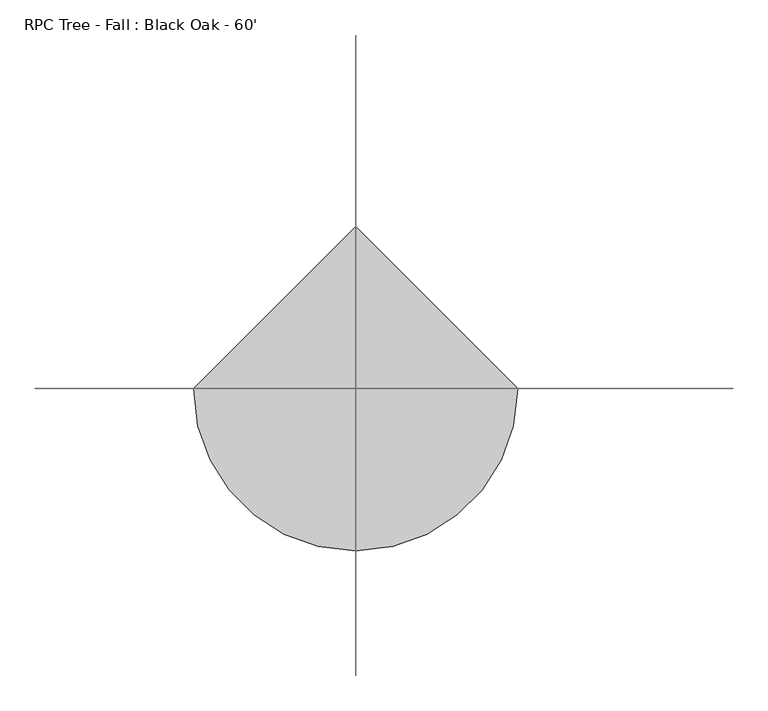
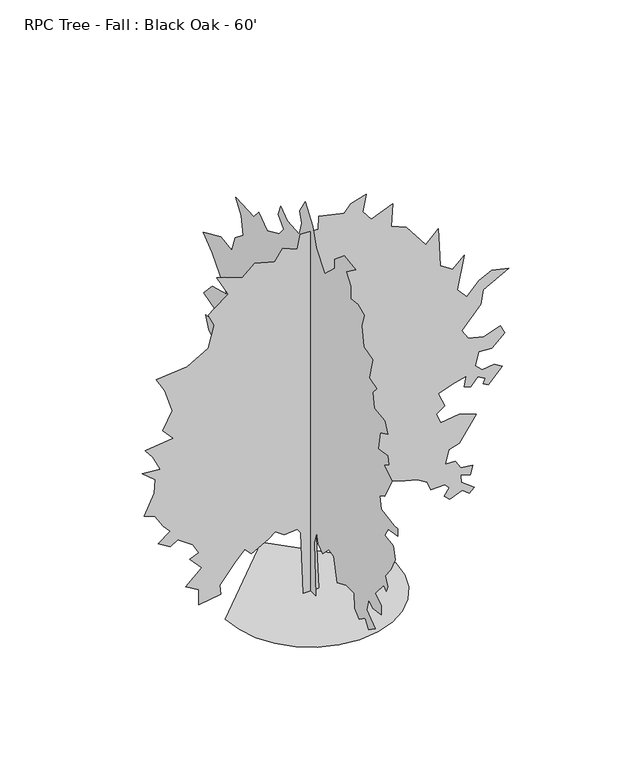
"""IFC4 building model written with IfcOpenShell, lengths in millimetres: geographic element geometry, RPC Tree - Fall : Black Oak - 60'."""

from ifc_helpers import new_model, si_unit, origin, place, context, project, spatial, triangles, source, transform, mapped, element, save


def rpc_tree_fall_black_oak_60_83d15e47(model_context):
    return source(origin(), model_context, "Body", "Tessellation", [
        triangles([(-3837.6128494, 0.0, 0.0005382), (-3736.1652626, -879.3283762, 0.0005382), (-3447.2145859, -1686.8483448, 0.0005382), (-2993.9256844, -2399.4281055, 0.0005382), (-2399.4281055, -2993.9256844, 0.0005382), (-1686.8483448, -3447.2145859, 0.0005382), (-879.3258327, -3736.1652626, 0.0005382), (0.0001677, -3837.6128494, 0.0005382), (879.3283762, -3736.1652626, 0.0005382), (1686.8483448, -3447.2145859, 0.0005382), (2399.4281055, -2993.9256844, 0.0005382), (2993.9256844, -2399.4281055, 0.0005382), (3447.2145859, -1686.8483448, 0.0005382), (3736.1652626, -879.3258327, 0.0005382), (3837.6128494, 0.0003355, 0.0005382), (-0.0005032, 3837.6128494, 0.0005382), (-323.0907804, 0.0, 0.0080165), (-450.6217678, -0.0001748, 2933.2197968), (-603.6594106, -0.000187, 3137.2835037), (-1190.3059061, -0.000184, 3086.2549324), (-1598.4054874, -0.0002007, 3366.8488518), (-1904.4808456, -0.000187, 3137.2835037), (-2669.6690231, -0.0001612, 2703.6797379), (-2975.7392944, -0.0001809, 3035.2516502), (-3409.3430603, -0.0001505, 2525.1278458), (-4098.0138153, -0.0001019, 1708.926067), (-4047.0105331, -7.45e-05, 1249.8131023), (-5041.7515594, -6.54e-05, 1096.7754232), (-5041.7515594, -0.0001079, 1810.9528336), (-5628.3907516, -0.0001292, 2168.0416477), (-4914.2180649, -0.0001688, 2831.2132324), (-5449.8539749, -0.0002037, 3417.8521339), (-5041.7515594, -0.0002128, 3570.8872696), (-5322.3204803, -0.0002417, 4055.4943176), (-5985.4893036, -0.0002706, 4540.1266548), (-6317.0615067, -0.0002569, 4310.5613068), (-6878.1987671, -0.0002767, 4642.1585083), (-6317.0615067, -0.000301, 5050.2609238), (-6648.6587082, -0.0003223, 5407.3338959), (-7031.2591919, -0.0003588, 6019.5000183), (-7490.3643082, -0.0003679, 6172.5348633), (-7056.7605423, -0.0004242, 7116.2726074), (-7005.7322617, -0.0004622, 7753.9150818), (-7592.3964523, -0.0004911, 8238.5471283), (-6776.1922028, -0.0004865, 8162.0169159), (-7107.7638245, -0.0005275, 8850.6876709), (-7464.8629578, -0.0005534, 9284.2914368), (-6189.5280121, -0.0005625, 9437.3268631), (-6674.1600586, -0.0005944, 9972.9621918), (-6240.5562927, -0.0006416, 10763.6650909), (-6572.1284958, -0.0007054, 11834.9357483), (-6954.7289795, -0.0007449, 12498.0801544), (-5551.8855377, -0.0007525, 12625.6130676), (-4608.1477936, -0.000786, 13186.7509094), (-4353.0808044, -0.0008453, 14181.5169342), (-4608.1477936, -0.0008787, 14742.654776), (-4353.0808044, -0.0008924, 14972.1942535), (-3715.4389114, -0.0009198, 15431.325531), (-4225.5473099, -0.0009776, 16400.5640442), (-3893.9753975, -0.0009715, 16298.5330627), (-3077.7711479, -0.0009532, 15992.4622101), (-2516.631562, -0.0009836, 16502.5706085), (-1623.9122154, -0.0009684, 16247.5036194), (-1266.8234013, -0.0010004, 16783.1395294), (-603.6594106, -0.0009836, 16502.5706085), (-476.1284595, -0.0010232, 17165.7405945), (340.0732467, -0.0010201, 17114.736731), (365.5799383, -0.0010566, 17726.8772736), (1513.3637306, -0.0010414, 17471.8102844), (1819.4364727, -0.0010612, 17803.407486), (2508.1096985, -0.0010748, 18032.9481262), (2355.0696213, -0.0010277, 17242.2708069), (2737.6648727, -0.0009988, 16757.6375977), (3706.904258, -0.0010216, 17140.2386627), (3630.3740456, -0.0009593, 16094.4687744), (4319.0448006, -0.0009426, 15813.8998535), (5186.2776215, -0.0008757, 14691.6253326), (5747.4148819, -0.0009091, 15252.7631744), (5798.4181641, -0.000859, 14411.0575745), (5849.4214462, -0.0008012, 13441.8178986), (6410.5842865, -0.0007799, 13084.7443451), (6920.6926849, -0.0008088, 13569.3508118), (6614.6224136, -0.0007176, 12038.9744568), (7048.2261795, -0.0006887, 11554.3679901), (7609.3634399, -0.0007237, 12141.006601), (8170.5007004, -0.0007404, 12421.5755219), (8935.7016678, -0.0007297, 12243.0387451), (7787.9002167, -0.0006933, 11630.8726227), (7660.3923019, -0.0006537, 10967.7037994), (6818.6611221, -0.000596, 9998.4641235), (7099.2550415, -0.0005701, 9564.8603577), (7813.4271469, -0.0005595, 9386.3235809), (8553.1011841, -0.0005747, 9641.3905701), (8757.1398926, -0.0005503, 9233.2881546), (8170.5007004, -0.0005184, 8697.6528259), (7583.8620895, -0.0005215, 8748.6561081), (7430.8266632, -0.000485, 8136.5155655), (7736.8969345, -0.0004667, 7830.4452942), (8272.5328445, -0.0004713, 7906.9499268), (8629.6313965, -0.0004576, 7677.4098679), (8017.4658554, -0.0004181, 7014.2410446), (7787.9002167, -0.0004257, 7141.7745392), (7864.4304291, -0.0004394, 7371.3145981), (7532.8588074, -0.0004515, 7575.3783051), (7226.7629562, -0.0004287, 7192.7778214), (6920.6926849, -0.0004348, 7294.8093842), (7022.7248291, -0.0004637, 7779.4164322), (6487.0889191, -0.0004561, 7651.8829376), (5747.4148819, -0.0004394, 7371.3145981), (6053.4851532, -0.0003998, 6708.1707733), (5670.8846695, -0.0003831, 6427.6018524), (5874.9483765, -0.0003542, 5942.9698059), (6691.152626, -0.0003618, 6070.5033005), (7456.328595, -0.0003466, 5815.4363113), (6691.152626, -0.0002797, 4693.1617905), (6232.0219299, -0.0002706, 4540.1266548), (6078.987085, -0.0002326, 3902.459182), (6512.5908508, -0.0002326, 3902.459182), (6767.65784, -0.0002083, 3494.3570572), (7303.2931686, -0.0002037, 3417.8521339), (7201.2616058, -0.0001794, 3009.7500092), (6767.65784, -0.000187, 3137.2835037), (6793.1591904, -0.0001672, 2805.6863022), (7379.823381, -0.0001399, 2346.583366), (7150.2583237, -0.0001277, 2142.5349197), (6844.1880524, -0.0001429, 2397.596822), (6283.0507919, -0.0001292, 2168.0416477), (6027.9838028, -0.0001429, 2397.596822), (6257.5238617, -0.0001627, 2729.1813789), (6053.4851532, -0.0001748, 2933.2197968), (5415.8176804, -0.0001748, 2933.2197968), (5262.7828354, -0.0001992, 3341.3219215), (4803.6771378, -0.0002159, 3621.8905518), (4268.0415184, -0.0002235, 3749.4240463), (3375.3326363, -0.0002402, 4029.9926765), (3120.2653564, -0.0002159, 3621.8905518), (2839.6970169, -0.0002311, 3876.9575409), (2712.1632317, -0.0002463, 4132.02453), (2202.0318695, -0.0002463, 4132.02453), (1946.9699673, -0.0002554, 4285.0596657), (1054.2481499, -0.0002417, 4055.4943176), (365.5799383, -0.0002159, 3621.8905518), (238.0474611, -0.0001764, 2958.746727), (365.5799383, 0.0, 0.0004815), (0.0, 369.5499722, 0.0), (0.0, 318.5391323, 2678.1528076), (0.0, 573.6010345, 3749.4240463), (0.0, 1032.7139992, 4336.0629478), (0.0, 1976.4466564, 4667.6601494), (0.0, 2563.0906448, 3902.459182), (0.0, 2767.1543518, 4336.0629478), (0.0, 3557.8316711, 4080.9959587), (0.0, 4118.9689316, 4157.5261711), (0.0, 4858.6682579, 3392.3252037), (0.0, 5496.3104416, 2601.6478844), (0.0, 6159.4792648, 2550.619313), (0.0, 5776.8787811, 3239.2900681), (0.0, 6644.1118927, 3519.8586983), (0.0, 6133.9779144, 3749.4240463), (0.0, 5241.2434525, 4157.5261711), (0.0, 5751.3774307, 4922.7268478), (0.0, 6236.0100586, 5509.36604), (0.0, 6031.9457703, 6198.036795), (0.0, 6440.0481857, 7039.742395), (0.0, 6924.6808136, 6810.1773376), (0.0, 7587.824057, 6580.6372787), (0.0, 8072.4566849, 6606.1386292), (0.0, 7511.3194244, 7371.3145981), (0.0, 7944.9231903, 7651.8829376), (0.0, 8174.488829, 8213.0201981), (0.0, 7511.3194244, 8238.5221298), (0.0, 7409.2872803, 8876.1896027), (0.0, 8327.523674, 9156.7579422), (0.0, 7664.3542694, 9870.9300476), (0.0, 6542.0797485, 10177.0009003), (0.0, 7664.3542694, 11477.8377777), (0.0, 8378.5269562, 12013.472525), (0.0, 7001.1854462, 12625.6130676), (0.0, 6159.4792648, 12498.0801544), (0.0, 5904.4122757, 13237.7791901), (0.0, 5241.2434525, 13773.3895203), (0.0, 5419.805809, 14589.5943512), (0.0, 5853.4089935, 15201.7593109), (0.0, 4425.064492, 15150.7310303), (0.0, 4067.9656494, 15584.360376), (0.0, 3404.7965355, 15099.7283295), (0.0, 2461.0689651, 15533.3320953), (0.0, 2103.980151, 15966.9358612), (0.0, 2512.079805, 16426.065976), (0.0, 2333.5354706, 16910.6736053), (0.0, 1823.4115208, 16528.0725403), (0.0, 905.1830481, 16451.5679077), (0.0, 675.6278738, 17114.736731), (0.0, 854.1696648, 17599.3443604), (0.0, 420.5633918, 18288.0151154), (0.0, -166.0810872, 17471.8102844), (0.0, -446.6491905, 16630.1046844), (0.0, -1109.8132175, 15788.3990845), (0.0, -1900.5082684, 16528.0725403), (0.0, -1875.0041565, 16936.1743744), (0.0, -2640.1798347, 17573.8424286), (0.0, -3507.4126556, 17420.8075836), (0.0, -2767.7133293, 16885.1716736), (0.0, -3124.8121719, 16400.5396271), (0.0, -3124.8121719, 15813.8998535), (0.0, -3685.9494324, 15890.4300659), (0.0, -4196.0834106, 15686.3669403), (0.0, -3992.0197037, 15048.7244659), (0.0, -4145.0548393, 14155.9905853), (0.0, -4833.7255943, 13951.9518768), (0.0, -4578.6838943, 12931.6839203), (0.0, -5165.3225052, 12753.1471436), (0.0, -4859.2525246, 12421.5755219), (0.0, -4961.2587982, 11707.4028351), (0.0, -5777.4630478, 11605.3706909), (0.0, -6007.0286865, 11095.2367126), (0.0, -5420.3894943, 10814.6677917), (0.0, -5292.8559998, 9972.9621918), (0.0, -6007.0286865, 10074.9943359), (0.0, -6109.0602493, 9717.8952026), (0.0, -5700.9584152, 9462.8282135), (0.0, -6364.10224, 9080.2533096), (0.0, -5777.4630478, 8008.9820709), (0.0, -5394.8625641, 7804.918364), (0.0, -5496.8947083, 7218.2791718), (0.0, -6542.6640152, 7065.2443268), (0.0, -6797.7310043, 7090.7456772), (0.0, -6797.7310043, 6733.6721237), (0.0, -6058.0319687, 6606.1386292), (0.0, -5802.9649796, 6172.5348633), (0.0, -6466.1338028, 6070.5033005), (0.0, -6593.6672974, 5483.8641083), (0.0, -6262.0956757, 4795.193644), (0.0, -5828.4919098, 4259.5580246), (0.0, -6032.5300369, 3851.4558998), (0.0, -5904.9965424, 3570.8872696), (0.0, -5726.4597656, 3749.4240463), (0.0, -5037.7890106, 2933.2197968), (0.0, -5522.3960587, 2627.1495255), (0.0, -5522.3960587, 2219.0474007), (0.0, -4833.7255943, 2091.5163769), (0.0, -4527.655323, 2321.0741673), (0.0, -4374.6201874, 1759.934436), (0.0, -5037.7890106, 1249.8080154), (0.0, -4527.655323, 892.7218174), (0.0, -4247.0866928, 1275.3147434), (0.0, -3787.9812859, 943.7326572), (0.0, -3456.3840843, 1275.3147434), (0.0, -3405.3808022, 1938.4787704), (0.0, -2793.2402596, 1963.9854984), (0.0, -2079.0526028, 1657.9101402), (0.0, -1823.9907005, 2754.68302), (0.0, -1415.8885757, 2805.6863022), (0.0, -944.0222471, 2346.5782791), (0.0, -599.6894131, 2601.6478844), (0.0, -472.1584256, 3060.7532913), (0.0, -293.6115296, 2499.6160309), (0.0, -395.6383507, 0.0026911)], [[15, 16, 1], [14, 15, 1], [14, 1, 2], [13, 14, 2], [13, 2, 3], [13, 3, 4], [12, 13, 4], [11, 12, 4], [11, 4, 5], [11, 5, 6], [11, 6, 7], [11, 7, 8], [11, 8, 9], [11, 9, 10], [43, 44, 45], [81, 82, 83], [86, 87, 88], [85, 86, 88], [58, 59, 60], [77, 78, 79], [46, 47, 48], [58, 60, 61], [70, 71, 72], [84, 85, 88], [73, 74, 75], [51, 52, 53], [36, 37, 38], [35, 36, 38], [31, 32, 33], [84, 88, 89], [113, 114, 115], [29, 30, 31], [123, 124, 125], [123, 125, 126], [135, 136, 137], [67, 68, 69], [99, 100, 101], [98, 99, 101], [112, 113, 115], [112, 115, 116], [143, 144, 17], [143, 17, 18], [27, 28, 29], [26, 27, 29], [40, 41, 42], [119, 120, 121], [119, 121, 122], [69, 70, 72], [26, 29, 31], [25, 26, 31], [84, 89, 90], [105, 106, 107], [104, 105, 107], [45, 46, 48], [127, 128, 129], [126, 127, 129], [123, 126, 129], [122, 123, 129], [122, 129, 130], [65, 66, 67], [92, 93, 94], [92, 94, 95], [92, 95, 96], [91, 92, 96], [101, 102, 103], [98, 101, 103], [98, 103, 104], [97, 98, 104], [97, 104, 107], [135, 137, 138], [63, 64, 65], [109, 110, 111], [142, 143, 18], [142, 18, 19], [22, 23, 24], [119, 122, 130], [118, 119, 130], [117, 118, 130], [117, 130, 131], [117, 131, 132], [55, 56, 57], [48, 49, 50], [50, 51, 53], [25, 31, 33], [24, 25, 33], [117, 132, 133], [116, 117, 133], [112, 116, 133], [112, 133, 134], [112, 134, 135], [111, 112, 135], [77, 79, 80], [61, 62, 63], [111, 135, 138], [55, 57, 58], [83, 84, 90], [109, 111, 138], [109, 138, 139], [109, 139, 140], [80, 81, 83], [24, 33, 34], [91, 96, 97], [91, 97, 107], [91, 107, 108], [91, 108, 109], [90, 91, 109], [19, 20, 21], [142, 19, 21], [50, 53, 54], [69, 72, 73], [67, 69, 73], [65, 67, 73], [65, 73, 75], [48, 50, 54], [21, 22, 24], [21, 24, 34], [58, 61, 63], [55, 58, 63], [54, 55, 63], [54, 63, 65], [54, 65, 75], [48, 54, 75], [48, 75, 76], [48, 76, 77], [48, 77, 80], [48, 80, 83], [48, 83, 90], [48, 90, 109], [48, 109, 140], [48, 140, 141], [48, 141, 142], [48, 142, 21], [48, 21, 34], [45, 48, 34], [45, 34, 35], [45, 35, 38], [45, 38, 39], [45, 39, 40], [45, 40, 42], [45, 42, 43], [157, 158, 159], [201, 202, 203], [182, 183, 184], [155, 156, 157], [166, 167, 168], [200, 201, 203], [176, 177, 178], [154, 155, 157], [149, 150, 151], [172, 173, 174], [211, 212, 213], [165, 166, 168], [194, 195, 196], [193, 194, 196], [235, 236, 237], [169, 170, 171], [243, 244, 245], [243, 245, 246], [189, 190, 191], [188, 189, 191], [157, 159, 160], [154, 157, 160], [153, 154, 160], [250, 251, 252], [234, 235, 237], [199, 200, 203], [226, 227, 228], [226, 228, 229], [225, 226, 229], [193, 196, 197], [192, 193, 197], [168, 169, 171], [258, 145, 146], [257, 258, 146], [172, 174, 175], [221, 222, 223], [215, 216, 217], [214, 215, 217], [256, 257, 146], [256, 146, 147], [209, 210, 211], [184, 185, 186], [206, 207, 208], [218, 219, 220], [218, 220, 221], [246, 247, 248], [246, 248, 249], [243, 246, 249], [242, 243, 249], [253, 254, 255], [253, 255, 256], [239, 240, 241], [238, 239, 241], [238, 241, 242], [205, 206, 208], [199, 203, 204], [199, 204, 205], [198, 199, 205], [225, 229, 230], [181, 182, 184], [175, 176, 178], [175, 178, 179], [164, 165, 168], [164, 168, 171], [230, 231, 232], [230, 232, 233], [188, 191, 192], [221, 223, 224], [181, 184, 186], [192, 197, 198], [230, 233, 234], [153, 160, 161], [161, 162, 163], [153, 161, 163], [164, 171, 172], [164, 172, 175], [218, 221, 224], [198, 205, 208], [198, 208, 209], [198, 209, 211], [188, 192, 198], [187, 188, 198], [187, 198, 211], [186, 187, 211], [181, 186, 211], [181, 211, 213], [181, 213, 214], [181, 214, 217], [181, 217, 218], [181, 218, 224], [180, 181, 224], [179, 180, 224], [175, 179, 224], [164, 175, 224], [163, 164, 224], [153, 163, 224], [152, 153, 224], [151, 152, 224], [149, 151, 224], [148, 149, 224], [148, 224, 225], [147, 148, 225], [256, 147, 225], [253, 256, 225], [252, 253, 225], [252, 225, 230], [252, 230, 234], [252, 234, 237], [252, 237, 238], [250, 252, 238], [249, 250, 238], [242, 249, 238]], closed=False),
    ])


if __name__ == "__main__":
    model = new_model("IFC4")
    model_context = context("Model", 3, world=origin())
    ifc_project = project(units=[si_unit("LENGTHUNIT", "METRE", prefix="MILLI")], contexts=[model_context])
    site = spatial("IfcSite", under=ifc_project)
    building = spatial("IfcBuilding", under=site)
    placement = place(None, origin())
    rpc_tree_fall_black_oak_60_shape = rpc_tree_fall_black_oak_60_83d15e47(model_context)
    element("IfcGeographicElement", 1, ObjectType="RPC Tree - Fall : Black Oak - 60'", at=placement, inside=building, context=model_context, shape_type="MappedRepresentation", body=[
        mapped(rpc_tree_fall_black_oak_60_shape, transform((0.0, 0.0, 0.0), x_axis=(1.0, 0.0, 0.0), y_axis=(0.0, 1.0, 0.0), z_axis=(0.0, 0.0, 1.0))),
    ])
    save(model, "model.ifc")
